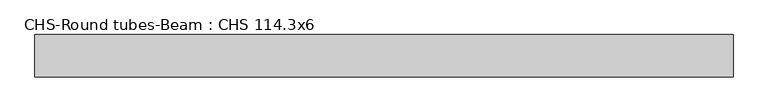
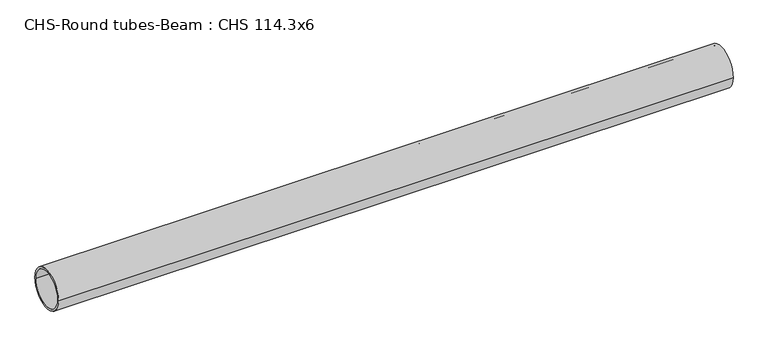
"""IFC4 building model written with IfcOpenShell, lengths in millimetres: beam geometry, CHS-Round tubes-Beam : CHS 114.3x6."""

from ifc_helpers import new_model, si_unit, point, frame, origin, origin_2d, place, context, project, spatial, circle_curve, trimmed, segment, composite_curve, outline, extrude, source, transform, mapped, element, save


def chs_round_tubes_beam_chs_114_3x6_56270fad(model_context):
    return source(origin(), model_context, "Body", "SweptSolid", [
        extrude(outline(composite_curve([segment(trimmed(circle_curve(origin_2d(), 57.15), [point((57.15, 0.0))], [point((-57.15, 0.0))], False, "CARTESIAN"), True, "CONTINUOUS"), segment(trimmed(circle_curve(origin_2d(), 57.15), [point((-57.15, 0.0))], [point((57.15, 0.0))], False, "CARTESIAN"), True, "CONTINUOUS")], self_intersect=False), holes=[composite_curve([segment(trimmed(circle_curve(origin_2d(), 51.15), [point((51.15, 0.0))], [point((-51.15, 0.0))], True, "CARTESIAN"), True, "CONTINUOUS"), segment(trimmed(circle_curve(origin_2d(), 51.15), [point((-51.15, 0.0))], [point((51.15, 0.0))], True, "CARTESIAN"), True, "CONTINUOUS")], self_intersect=False)]), frame((-820.5551835, 0.0, 0.0), z_axis=(1.0, 0.0, 0.0), x_axis=(0.0, 1.0, 0.0)), (0.0, 0.0, 1.0), 1889.2236584),
    ])


if __name__ == "__main__":
    model = new_model("IFC4")
    model_context = context("Model", 3, world=origin())
    ifc_project = project(units=[si_unit("LENGTHUNIT", "METRE", prefix="MILLI")], contexts=[model_context])
    site = spatial("IfcSite", under=ifc_project)
    building = spatial("IfcBuilding", under=site)
    placement = place(None, origin())
    chs_round_tubes_beam_chs_114_3x6_shape = chs_round_tubes_beam_chs_114_3x6_56270fad(model_context)
    element("IfcBeam", 1, ObjectType="CHS-Round tubes-Beam : CHS 114.3x6", at=placement, inside=building, context=model_context, shape_type="MappedRepresentation", body=[
        mapped(chs_round_tubes_beam_chs_114_3x6_shape, transform((0.0, 0.0, 0.0), x_axis=(1.0, 0.0, 0.0), y_axis=(0.0, 1.0, 0.0), z_axis=(0.0, 0.0, 1.0))),
    ])
    save(model, "model.ifc")
